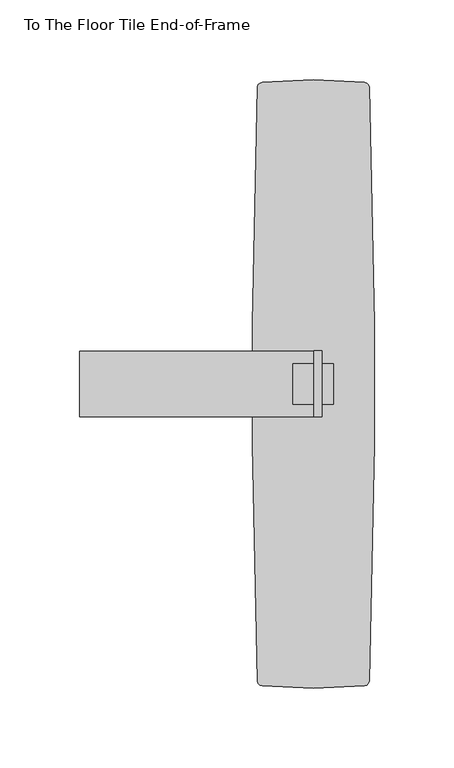
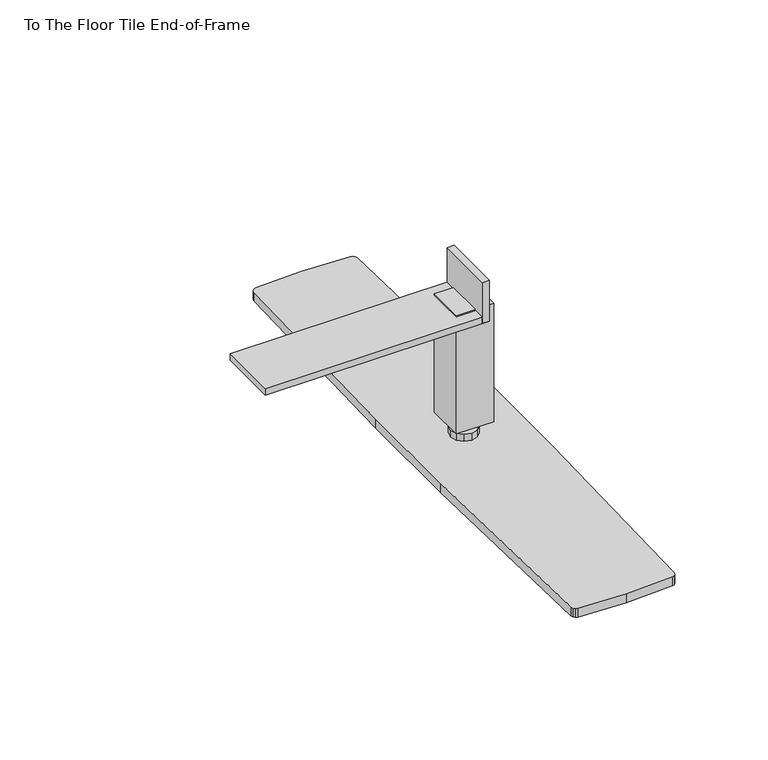
"""IFC4 building model written with IfcOpenShell, lengths in millimetres: furniture geometry, To The Floor Tile End-of-Frame."""

from ifc_helpers import new_model, si_unit, frame, origin, origin_with_axes, place, context, project, spatial, polyline, outline, extrude, source, transform, mapped, element, save


def to_the_floor_tile_end_of_frame_28116a61(model_context):
    return source(origin(), model_context, "Body", "SweptSolid", [
        extrude(outline(polyline([(-28.9800465, -34.4055921), (-26.6248442, -35.036665), (-24.9007148, -36.7607944), (-24.2696395, -39.115999), (-24.9007148, -41.4712014), (-26.6248442, -43.1953285), (-28.9800465, -43.8264037), (-31.3352489, -43.1953285), (-33.0593783, -41.4712014), (-33.6904535, -39.115999), (-33.0593783, -36.7607944), (-31.3352489, -35.036665), (-28.9800465, -34.4055921)])), frame((0.0, 0.0, 11.2494121), z_axis=(0.0, 0.0, 1.0), x_axis=(1.0, 0.0, 0.0)), (0.0, 0.0, 1.0), 40.2605479),
        extrude(outline(polyline([(-33.5323304, -31.2312105), (-28.9800465, -30.0114289), (-24.4277626, -31.2312105), (-21.095258, -34.5637129), (-19.8754787, -39.115999), (-21.095258, -43.6682829), (-24.4277626, -47.0007876), (-28.9800465, -48.2205668), (-33.5323304, -47.0007876), (-36.864835, -43.6682829), (-38.0846143, -39.115999), (-36.864835, -34.5637129), (-33.5323304, -31.2312105)])), frame((0.0, 0.0, 6.3507507), z_axis=(0.0, 0.0, 1.0), x_axis=(1.0, 0.0, 0.0)), (0.0, 0.0, 1.0), 4.8986614),
        extrude(outline(polyline([(-28.4847438, -18.4785017), (-23.7349429, -18.4785017), (-23.7349429, -59.7535021), (-28.4847438, -59.7535021), (-28.4847438, -18.4785017)])), frame((0.0, 0.0, 96.5962023), z_axis=(0.0, 0.0, 1.0), x_axis=(1.0, 0.0, 0.0)), (0.0, 0.0, 1.0), 29.2607957),
        extrude(outline(polyline([(-41.6800435, -51.8413987), (-41.6800435, -26.3905994), (-16.280045, -26.3905994), (-16.280045, -51.8413987), (-41.6800435, -51.8413987)])), frame((0.0, 0.0, 17.3990004), z_axis=(0.0, 0.0, 1.0), x_axis=(1.0, 0.0, 0.0)), (0.0, 0.0, 1.0), 84.7090021),
        extrude(outline(polyline([(-175.2472927, -18.4785017), (-23.7349429, -18.4785017), (-23.7349429, -59.7535021), (-175.2472927, -59.7535021), (-175.2472927, -18.4785017)])), frame((0.0, 0.0, 96.5962023), z_axis=(0.0, 0.0, 1.0), x_axis=(1.0, 0.0, 0.0)), (0.0, 0.0, 1.0), 4.7498009),
        extrude(outline(polyline([(-28.9814023, 151.1300012), (2.9761024, 149.6773828), (4.4829378, 149.2176361), (5.5832837, 148.0901795), (6.0062275, 146.5726032), (9.1186, -1.0161077), (9.1186, -77.2158913), (6.0062275, -224.8045921), (5.5832837, -226.3221776), (4.4829378, -227.4496342), (2.9761024, -227.9093808), (-28.9814023, -229.3619993), (-60.9389061, -227.9093808), (-62.4457409, -227.4496342), (-63.5460871, -226.3221776), (-63.9690309, -224.8045921), (-67.0814, -77.215999), (-67.0814, -1.016), (-63.9690309, 146.5726032), (-63.5460871, 148.0901795), (-62.4457409, 149.2176361), (-60.9389061, 149.6773828), (-28.9814023, 151.1300012)])), origin_with_axes(), (0.0, 0.0, 1.0), 6.3500002),
        extrude(outline(polyline([(9.1186, -1.016), (9.1186, -77.216), (-67.0814, -77.216), (-67.0814, -1.016), (9.1186, -1.016)])), origin_with_axes(), (0.0, 0.0, 1.0), 6.3500002),
    ])


if __name__ == "__main__":
    model = new_model("IFC4")
    model_context = context("Model", 3, world=origin())
    ifc_project = project(units=[si_unit("LENGTHUNIT", "METRE", prefix="MILLI")], contexts=[model_context])
    site = spatial("IfcSite", under=ifc_project)
    building = spatial("IfcBuilding", under=site)
    placement = place(None, origin())
    to_the_floor_tile_end_of_frame_shape = to_the_floor_tile_end_of_frame_28116a61(model_context)
    element("IfcFurniture", 1, ObjectType="To The Floor Tile End-of-Frame", at=placement, inside=building, context=model_context, shape_type="MappedRepresentation", body=[
        mapped(to_the_floor_tile_end_of_frame_shape, transform((0.0, 0.0, 0.0), x_axis=(1.0, 0.0, 0.0), y_axis=(0.0, 1.0, 0.0), z_axis=(0.0, 0.0, 1.0))),
    ])
    save(model, "model.ifc")
